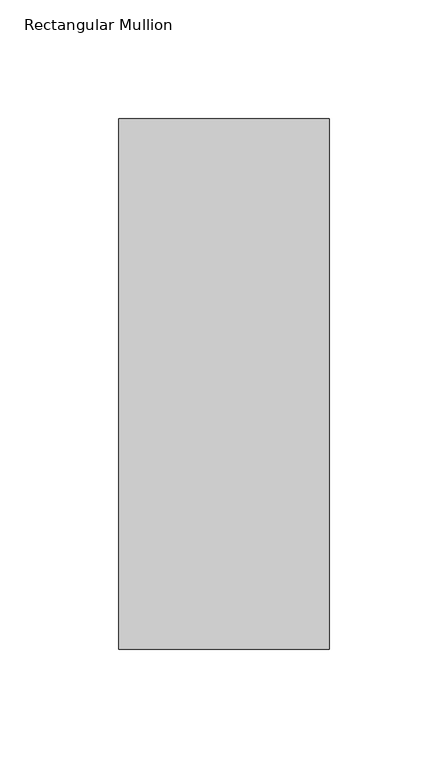
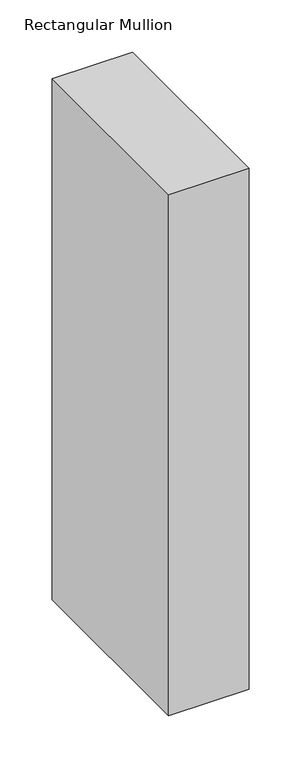
"""IFC4 building model written with IfcOpenShell, lengths in millimetres: member geometry, Rectangular Mullion."""

from ifc_helpers import new_model, si_unit, frame, origin, place, context, project, spatial, polyline, outline, extrude, source, transform, mapped, element, save


def rectangular_mullion_d2661d57(model_context):
    return source(origin(), model_context, "Body", "SweptSolid", [
        extrude(outline(polyline([(-88.9, 42.06875), (0.0, 42.06875), (0.0, -181.76875), (-88.9, -181.76875), (-88.9, 42.06875)])), frame((0.0, 0.0, -609.6), z_axis=(0.0, 0.0, 1.0), x_axis=(1.0, 0.0, 0.0)), (0.0, 0.0, 1.0), 609.6),
    ])


if __name__ == "__main__":
    model = new_model("IFC4")
    model_context = context("Model", 3, world=origin())
    ifc_project = project(units=[si_unit("LENGTHUNIT", "METRE", prefix="MILLI")], contexts=[model_context])
    site = spatial("IfcSite", under=ifc_project)
    building = spatial("IfcBuilding", under=site)
    placement = place(None, origin())
    rectangular_mullion_shape = rectangular_mullion_d2661d57(model_context)
    element("IfcMember", 1, ObjectType="Rectangular Mullion", at=placement, inside=building, context=model_context, shape_type="MappedRepresentation", body=[
        mapped(rectangular_mullion_shape, transform((0.0, 0.0, 0.0), x_axis=(1.0, 0.0, 0.0), y_axis=(0.0, 1.0, 0.0), z_axis=(0.0, 0.0, 1.0))),
    ])
    save(model, "model.ifc")
